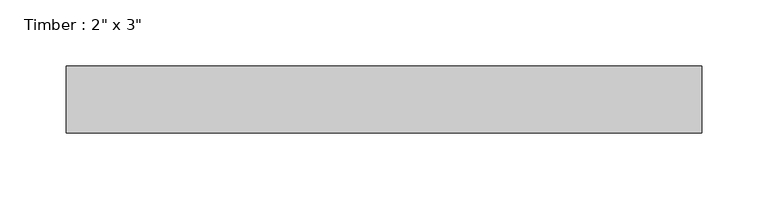
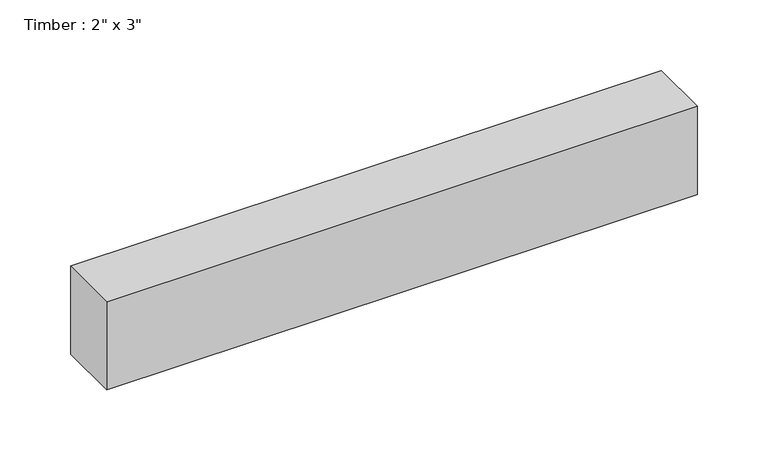
"""IFC4 building model written with IfcOpenShell, lengths in millimetres: beam geometry."""

from ifc_helpers import new_model, si_unit, frame, origin, place, context, project, spatial, polyline, outline, extrude, source, transform, mapped, element, save


def beam_1fc6cf04(model_context):
    return source(origin(), model_context, "Body", "SweptSolid", [
        extrude(outline(polyline([(240.9019866, -25.4), (-240.9019866, -25.4), (-240.9019866, 25.4), (240.9019866, 25.4), (240.9019866, -25.4)])), frame((0.0, 0.0, -38.1), z_axis=(0.0, 0.0, 1.0), x_axis=(1.0, 0.0, 0.0)), (0.0, 0.0, 1.0), 76.2),
    ])


if __name__ == "__main__":
    model = new_model("IFC4")
    model_context = context("Model", 3, world=origin())
    ifc_project = project(units=[si_unit("LENGTHUNIT", "METRE", prefix="MILLI")], contexts=[model_context])
    site = spatial("IfcSite", under=ifc_project)
    building = spatial("IfcBuilding", under=site)
    placement = place(None, origin())
    beam_shape = beam_1fc6cf04(model_context)
    element("IfcBeam", 1, ObjectType="Timber : 2\" x 3\"", at=placement, inside=building, context=model_context, shape_type="MappedRepresentation", body=[
        mapped(beam_shape, transform((0.0, 0.0, 0.0), x_axis=(1.0, 0.0, 0.0), y_axis=(0.0, 1.0, 0.0), z_axis=(0.0, 0.0, 1.0))),
    ])
    save(model, "model.ifc")
